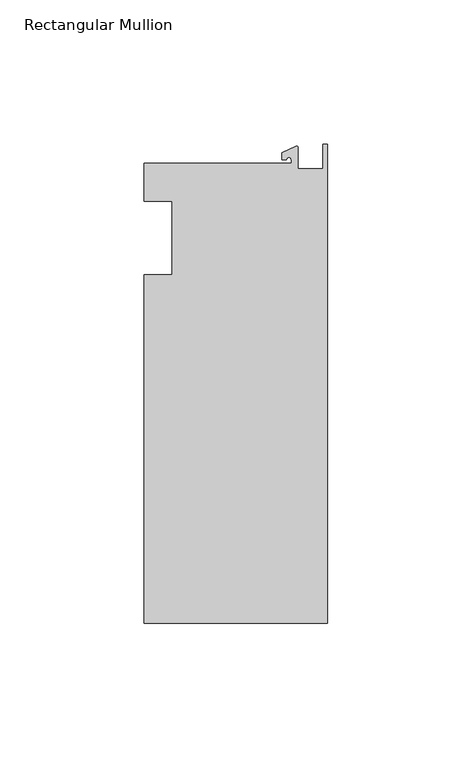
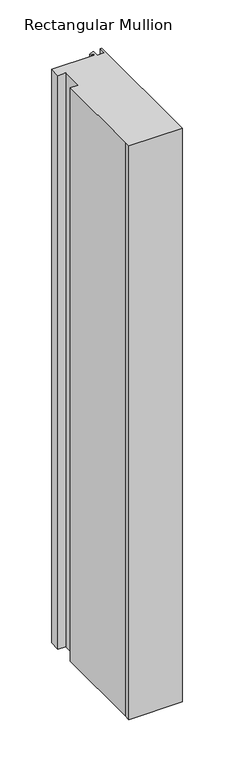
"""IFC4 building model written with IfcOpenShell, lengths in millimetres: member geometry, Rectangular Mullion."""

from ifc_helpers import new_model, si_unit, point, frame, frame_2d, origin, place, context, project, spatial, polyline, circle_curve, trimmed, segment, composite_curve, outline, extrude, source, transform, mapped, element, save


def rectangular_mullion_fad4d26b(model_context):
    return source(origin(), model_context, "Body", "SweptSolid", [
        extrude(outline(composite_curve([segment(polyline([(-12.6173814, 25.796875), (-12.6173814, 27.0827507)]), True, "CONTINUOUS"), segment(trimmed(circle_curve(frame_2d((-13.4111314, 27.0827507)), 0.79375), [point((-12.6173814, 27.0827507))], [point((-14.2048814, 27.0827507))], True, "CARTESIAN"), True, "CONTINUOUS"), segment(polyline([(-14.2048814, 27.0827507), (-15.7923814, 27.0827507), (-15.7923814, 29.44495), (-10.9524715, 31.7018371)]), True, "CONTINUOUS"), segment(trimmed(circle_curve(frame_2d((-10.7377814, 31.2414327)), 0.508), [point((-10.9524715, 31.7018371))], [point((-10.2297814, 31.2414327))], False, "CARTESIAN"), True, "CONTINUOUS"), segment(polyline([(-10.2297814, 31.2414327), (-10.2297814, 23.9227662), (-1.7144124, 23.9227662), (-1.5658966, 32.288874), (0.0, 32.288874), (0.0, -133.34365), (-63.5, -133.34365), (-63.5, -125.8114907), (-63.5, -12.7), (-53.975, -12.7), (-53.975, 12.7), (-63.5, 12.7), (-63.5, 25.796875), (-12.6173814, 25.796875)]), True, "CONTINUOUS")], self_intersect=False)), frame((0.0, 0.0, -722.3178263), z_axis=(0.0, 0.0, 1.0), x_axis=(1.0, 0.0, 0.0)), (0.0, 0.0, 1.0), 722.3178263),
    ])


if __name__ == "__main__":
    model = new_model("IFC4")
    model_context = context("Model", 3, world=origin())
    ifc_project = project(units=[si_unit("LENGTHUNIT", "METRE", prefix="MILLI")], contexts=[model_context])
    site = spatial("IfcSite", under=ifc_project)
    building = spatial("IfcBuilding", under=site)
    placement = place(None, origin())
    rectangular_mullion_shape = rectangular_mullion_fad4d26b(model_context)
    element("IfcMember", 1, ObjectType="Rectangular Mullion", at=placement, inside=building, context=model_context, shape_type="MappedRepresentation", body=[
        mapped(rectangular_mullion_shape, transform((0.0, 0.0, 0.0), x_axis=(1.0, 0.0, 0.0), y_axis=(0.0, 1.0, 0.0), z_axis=(0.0, 0.0, 1.0))),
    ])
    save(model, "model.ifc")
